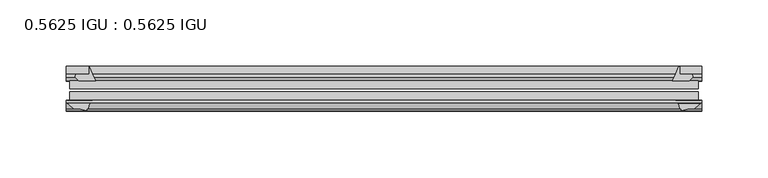
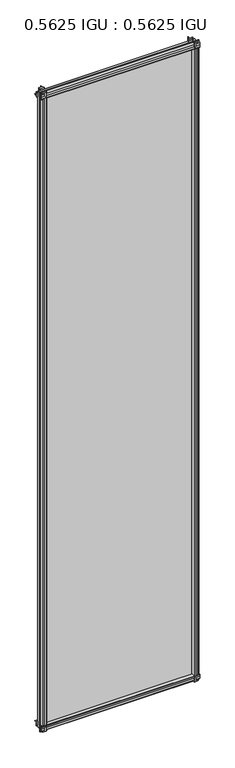
"""IFC4 building model written with IfcOpenShell, lengths in millimetres: plate geometry, 0.5625 IGU : 0.5625 IGU."""

import ifcopenshell
import ifcopenshell.guid

model = None  # the IFC model being written
_history = None  # IfcOwnerHistory: only IFC2X3 demands one
_inside = {}  # id of a spatial element -> (the spatial element, [elements in it])
_under = {}  # id of a project, library or spatial element -> (it, [spatial elements below it])
_declared = {}  # id of a project -> (the project, [libraries it declares])
_typed = {}  # id of a type object -> (the type object, [elements of that type])
_made_of = {}  # id of a material, layer set ... -> (it, [elements and type objects made of it])


def new_model(schema):
    """Start an empty IFC model of exactly this schema.

    Asked for "IFC4X3", IfcOpenShell would pick the latest addendum, in which some entities
    have other attributes; the version numbers below select the first issue.
    IFC2X3 requires an IfcOwnerHistory on every rooted entity: one is made here for all.
    """
    global model, _history
    if schema == "IFC4X3":
        model = ifcopenshell.file(schema_version=(4, 3, 0, 0))
    else:
        model = ifcopenshell.file(schema=schema)
    _inside.clear()
    _under.clear()
    _declared.clear()
    _typed.clear()
    _made_of.clear()
    _history = None
    if model.schema == "IFC2X3":
        org = make("IfcOrganization", Name="unknown")
        user = make(
            "IfcPersonAndOrganization",
            ThePerson=make("IfcPerson", FamilyName="unknown"),
            TheOrganization=org,
        )
        app = make(
            "IfcApplication",
            ApplicationDeveloper=org,
            Version="unknown",
            ApplicationFullName="unknown",
            ApplicationIdentifier="unknown",
        )
        _history = make(
            "IfcOwnerHistory",
            OwningUser=user,
            OwningApplication=app,
            ChangeAction="ADDED",
            CreationDate=0,
        )
    return model


def make(cls, **values):
    """One entity of the class cls with the attributes given. An attribute that is None is left unset."""
    return model.create_entity(
        cls, **{name: value for name, value in values.items() if value is not None}
    )


def rooted(cls, **values):
    """An entity with a GlobalId (a new one), such as an element, a storey or a relation."""
    return make(cls, GlobalId=ifcopenshell.guid.new(), OwnerHistory=_history, **values)


def si_unit(unit_type, name, prefix=None):
    """IfcSIUnit, for example si_unit("LENGTHUNIT", "METRE", prefix="MILLI")."""
    return make("IfcSIUnit", UnitType=unit_type, Prefix=prefix, Name=name)


def assignment(units):
    """IfcUnitAssignment: the units of a project."""
    return None if units is None else make("IfcUnitAssignment", Units=units)


def point(xyz):
    """IfcCartesianPoint."""
    return None if xyz is None else make("IfcCartesianPoint", Coordinates=xyz)


def direction(xyz):
    """IfcDirection."""
    return None if xyz is None else make("IfcDirection", DirectionRatios=xyz)


def frame(location, z_axis=None, x_axis=None):
    """IfcAxis2Placement3D, a coordinate frame: its origin and axes. An axis left out is left unset."""
    return make(
        "IfcAxis2Placement3D",
        Location=point(location),
        Axis=direction(z_axis),
        RefDirection=direction(x_axis),
    )


def frame_2d(location, x_axis=None):
    """IfcAxis2Placement2D, a coordinate frame in the plane: its origin and x axis."""
    return make(
        "IfcAxis2Placement2D", Location=point(location), RefDirection=direction(x_axis)
    )


def origin():
    """The frame at (0, 0, 0) with its axes left unset."""
    return frame((0.0, 0.0, 0.0))


def place(relative_to, where):
    """IfcLocalPlacement: puts the frame where relative to a parent placement (None: the world)."""
    return make(
        "IfcLocalPlacement", PlacementRelTo=relative_to, RelativePlacement=where
    )


def context(
    kind, dimensions, precision=None, world=None, true_north=None, identifier=None
):
    """IfcGeometricRepresentationContext, for example the 3D "Model" context."""
    return make(
        "IfcGeometricRepresentationContext",
        ContextIdentifier=identifier,
        ContextType=kind,
        CoordinateSpaceDimension=dimensions,
        Precision=precision,
        WorldCoordinateSystem=world,
        TrueNorth=true_north,
    )


def project(units=None, contexts=None):
    """IfcProject with its units and contexts."""
    return rooted(
        "IfcProject",
        Name="project",
        RepresentationContexts=contexts,
        UnitsInContext=assignment(units),
    )


def spatial(cls, under=None, at=None, **own):
    """A site, building, storey or space (cls), placed at a placement, below another one or the project."""
    s = rooted(cls, ObjectPlacement=at, **own)
    if under is not None:
        _under.setdefault(under.id(), (under, []))[1].append(s)
    return s


def polyline(points):
    """IfcPolyline through the points."""
    return make("IfcPolyline", Points=[point(p) for p in points])


def circle_curve(where, radius):
    """IfcCircle in the frame where."""
    return make("IfcCircle", Position=where, Radius=radius)


def trimmed(basis, trim1, trim2, sense, master):
    """IfcTrimmedCurve: the piece of a basis curve between two trims."""
    return make(
        "IfcTrimmedCurve",
        BasisCurve=basis,
        Trim1=trim1,
        Trim2=trim2,
        SenseAgreement=sense,
        MasterRepresentation=master,
    )


def segment(curve, same_sense, transition):
    """IfcCompositeCurveSegment."""
    return make(
        "IfcCompositeCurveSegment",
        Transition=transition,
        SameSense=same_sense,
        ParentCurve=curve,
    )


def composite_curve(segments, self_intersect=None):
    """IfcCompositeCurve: segments joined end to end."""
    return make("IfcCompositeCurve", Segments=segments, SelfIntersect=self_intersect)


def outline(outer, holes=None, kind="AREA"):
    """IfcArbitraryClosedProfileDef: a profile drawn as a closed curve; with holes, ...WithVoids."""
    if holes is None:
        return make("IfcArbitraryClosedProfileDef", ProfileType=kind, OuterCurve=outer)
    return make(
        "IfcArbitraryProfileDefWithVoids",
        ProfileType=kind,
        OuterCurve=outer,
        InnerCurves=holes,
    )


def extrude(swept, where, along, depth):
    """IfcExtrudedAreaSolid: the profile swept, set in the frame where, extruded along a direction by depth."""
    return make(
        "IfcExtrudedAreaSolid",
        SweptArea=swept,
        Position=where,
        ExtrudedDirection=direction(along),
        Depth=depth,
    )


def shape(context_of_items, identifier, shape_type, items):
    """IfcShapeRepresentation: the items that make up one representation, for example the "Body"."""
    return make(
        "IfcShapeRepresentation",
        ContextOfItems=context_of_items,
        RepresentationIdentifier=identifier,
        RepresentationType=shape_type,
        Items=items,
    )


def source(mapping_origin, context_of_items, identifier, shape_type, items):
    """IfcRepresentationMap: a shape defined once, which mapped items show again and again."""
    return make(
        "IfcRepresentationMap",
        MappingOrigin=mapping_origin,
        MappedRepresentation=shape(context_of_items, identifier, shape_type, items),
    )


def transform(
    local_origin,
    x_axis=None,
    y_axis=None,
    z_axis=None,
    scale=None,
    scale2=None,
    scale3=None,
    uniform=True,
):
    """IfcCartesianTransformationOperator3D, or its non-uniform kind. x_axis, y_axis, z_axis: its Axis1, 2, 3."""
    if uniform:
        return make(
            "IfcCartesianTransformationOperator3D",
            Axis1=direction(x_axis),
            Axis2=direction(y_axis),
            LocalOrigin=point(local_origin),
            Scale=scale,
            Axis3=direction(z_axis),
        )
    return make(
        "IfcCartesianTransformationOperator3DnonUniform",
        Axis1=direction(x_axis),
        Axis2=direction(y_axis),
        LocalOrigin=point(local_origin),
        Scale=scale,
        Axis3=direction(z_axis),
        Scale2=scale2,
        Scale3=scale3,
    )


def mapped(mapping_source, mapping_target):
    """IfcMappedItem: shows the shape of a source again, moved by a transform."""
    return make(
        "IfcMappedItem", MappingSource=mapping_source, MappingTarget=mapping_target
    )


def made_of(thing, what):
    """Note that an element or type object is made of a material, layer set ...; save() writes the relation."""
    if what is not None:
        _made_of.setdefault(what.id(), (what, []))[1].append(thing)
    return thing


def element(
    cls,
    number,
    at=None,
    inside=None,
    cuts=None,
    type_object=None,
    material=None,
    context=None,
    identifier="Body",
    shape_type=None,
    held_by="IfcProductDefinitionShape",
    body=None,
    shapes=None,
    **own,
):
    """One element of the class cls, such as IfcWall. Its Tag is "e" and its number.

    at: its placement. inside: the storey or other place that contains it. cuts: it is an
    opening in that element (IfcRelVoidsElement). A single representation is given by context,
    identifier, shape_type and body (its items); several are given by shapes. held_by: the class
    of the entity that holds the representations. save() writes the other relations.
    """
    e = rooted(cls, Tag="e%d" % number, ObjectPlacement=at, **own)
    if body is not None:
        shapes = [shape(context, identifier, shape_type, body)]
    if shapes is not None:
        e.Representation = make(held_by, Representations=shapes)
    if inside is not None:
        _inside.setdefault(inside.id(), (inside, []))[1].append(e)
    if cuts is not None:
        rooted(
            "IfcRelVoidsElement", RelatingBuildingElement=cuts, RelatedOpeningElement=e
        )
    if type_object is not None:
        _typed.setdefault(type_object.id(), (type_object, []))[1].append(e)
    return made_of(e, material)


def aggregate(whole, parts):
    """IfcRelAggregates: a whole, such as a stair, and the parts it consists of."""
    return rooted("IfcRelAggregates", RelatingObject=whole, RelatedObjects=parts)


def save(model, path):
    """Write the relations noted so far, then the file.

    IfcRelAggregates (storeys below a building ...), IfcRelContainedInSpatialStructure (elements
    in a storey), IfcRelDefinesByType, IfcRelAssociatesMaterial and IfcRelDeclares: one each for
    every whole, place, type object, material and project.
    """
    for whole, parts in _under.values():
        aggregate(whole, parts)
    for where, things in _inside.values():
        rooted(
            "IfcRelContainedInSpatialStructure",
            RelatedElements=things,
            RelatingStructure=where,
        )
    for kind, things in _typed.values():
        rooted("IfcRelDefinesByType", RelatedObjects=things, RelatingType=kind)
    for what, things in _made_of.values():
        rooted("IfcRelAssociatesMaterial", RelatedObjects=things, RelatingMaterial=what)
    for by, libraries in _declared.values():
        rooted("IfcRelDeclares", RelatingContext=by, RelatedDefinitions=libraries)
    model.write(path)


def plate_0_5625_igu_0_5625_igu_b8db632c(model_context):
    return source(origin(), model_context, "Body", "SweptSolid", [
        extrude(outline(composite_curve([segment(trimmed(circle_curve(frame_2d((-37.8345654, 15.3636795)), 15.5602222), [point((-35.093275, 0.0468313))], [point((-27.955875, 3.3415337))], True, "CARTESIAN"), True, "CONTINUOUS"), segment(polyline([(-27.955875, 3.3415337), (-27.955875, -17.9974199)]), True, "CONTINUOUS"), segment(trimmed(circle_curve(frame_2d((-28.971875, -17.9974199)), 1.016), [point((-27.955875, -17.9974199))], [point((-29.7387172, -18.6639099))], False, "CARTESIAN"), True, "CONTINUOUS"), segment(polyline([(-29.7387172, -18.6639099), (-34.305875, -13.4090837), (-34.305875, -7.4052024), (-35.880675, -1.5279687), (-34.305875, -1.5279687), (-34.305875, -0.7405687)]), True, "CONTINUOUS"), segment(trimmed(circle_curve(frame_2d((-35.093275, -0.7405687)), 0.7874), [point((-34.305875, -0.7405687))], [point((-35.093275, 0.0468313))], True, "CARTESIAN"), True, "CONTINUOUS")], self_intersect=False)), frame((-239.9672346, 0.0, 0.0), z_axis=(1.0, 0.0, 0.0), x_axis=(0.0, 1.0, 0.0)), (0.0, 0.0, 1.0), 479.9344692),
        extrude(outline(composite_curve([segment(trimmed(circle_curve(frame_2d((11.4445684, 45.0767023)), 47.0962123), [point((-13.096875, 4.8800511))], [point((-2.198896, 0.0))], True, "CARTESIAN"), True, "CONTINUOUS"), segment(polyline([(-2.198896, 0.0), (-8.321675, 0.0), (-8.321675, -9.0936065)]), True, "CONTINUOUS"), segment(trimmed(circle_curve(frame_2d((-9.9050751, -9.085239)), 1.5834222), [point((-8.321675, -9.0936065))], [point((-11.0877177, -10.1381313))], False, "CARTESIAN"), True, "CONTINUOUS"), segment(polyline([(-11.0877177, -10.1381313), (-13.096875, -7.8711888), (-13.096875, 4.8800511)]), True, "CONTINUOUS")], self_intersect=False)), frame((-239.9672346, 0.0, 0.0), z_axis=(1.0, 0.0, 0.0), x_axis=(0.0, 1.0, 0.0)), (0.0, 0.0, 1.0), 479.9344692),
        extrude(outline(composite_curve([segment(polyline([(-34.305875, 2013.6590837), (-29.7387172, 2018.9139099)]), True, "CONTINUOUS"), segment(trimmed(circle_curve(frame_2d((-28.971875, 2018.2474199)), 1.016), [point((-29.7387172, 2018.9139099))], [point((-27.955875, 2018.2474199))], False, "CARTESIAN"), True, "CONTINUOUS"), segment(polyline([(-27.955875, 2018.2474199), (-27.955875, 1996.9084663)]), True, "CONTINUOUS"), segment(trimmed(circle_curve(frame_2d((-37.8345654, 1984.8863205)), 15.5602222), [point((-27.955875, 1996.9084663))], [point((-35.093275, 2000.2031687))], True, "CARTESIAN"), True, "CONTINUOUS"), segment(trimmed(circle_curve(frame_2d((-35.093275, 2000.9905687)), 0.7874), [point((-35.093275, 2000.2031687))], [point((-34.305875, 2000.9905687))], True, "CARTESIAN"), True, "CONTINUOUS"), segment(polyline([(-34.305875, 2000.9905687), (-34.305875, 2001.7779687), (-35.880675, 2001.7779687), (-34.305875, 2007.6552024), (-34.305875, 2013.6590837)]), True, "CONTINUOUS")], self_intersect=False)), frame((-239.9672346, 0.0, 0.0), z_axis=(1.0, 0.0, 0.0), x_axis=(0.0, 1.0, 0.0)), (0.0, 0.0, 1.0), 479.9344692),
        extrude(outline(composite_curve([segment(trimmed(circle_curve(frame_2d((-9.9050751, 2009.335239)), 1.5834222), [point((-11.0877177, 2010.3881313))], [point((-8.321675, 2009.3436065))], False, "CARTESIAN"), True, "CONTINUOUS"), segment(polyline([(-8.321675, 2009.3436065), (-8.321675, 2000.25), (-2.198896, 2000.25)]), True, "CONTINUOUS"), segment(trimmed(circle_curve(frame_2d((11.4445684, 1955.1732977)), 47.0962123), [point((-2.198896, 2000.25))], [point((-13.096875, 1995.3699489))], True, "CARTESIAN"), True, "CONTINUOUS"), segment(polyline([(-13.096875, 1995.3699489), (-13.096875, 2008.1211888), (-11.0877177, 2010.3881313)]), True, "CONTINUOUS")], self_intersect=False)), frame((-239.9672346, 0.0, 0.0), z_axis=(1.0, 0.0, 0.0), x_axis=(0.0, 1.0, 0.0)), (0.0, 0.0, 1.0), 479.9344692),
        extrude(outline(composite_curve([segment(polyline([(223.3381144, -8.321675), (231.6073961, -8.321675)]), True, "CONTINUOUS"), segment(trimmed(circle_curve(frame_2d((231.5990286, -9.9050751)), 1.5834222), [point((231.6073961, -8.321675))], [point((232.6519209, -11.0877177))], False, "CARTESIAN"), True, "CONTINUOUS"), segment(polyline([(232.6519209, -11.0877177), (230.3849784, -13.096875), (217.6337385, -13.096875)]), True, "CONTINUOUS"), segment(trimmed(circle_curve(frame_2d((177.4370873, 11.4445684)), 47.0962123), [point((217.6337385, -13.096875))], [point((222.4669583, -2.352675))], True, "CARTESIAN"), True, "CONTINUOUS"), segment(polyline([(222.4669583, -2.352675), (223.3381144, -2.5510821), (223.3381144, -8.321675)]), True, "CONTINUOUS")], self_intersect=False)), frame((0.0, 0.0, -19.0134199), z_axis=(0.0, 0.0, 1.0), x_axis=(1.0, 0.0, 0.0)), (0.0, 0.0, 1.0), 2037.9273298),
        extrude(outline(composite_curve([segment(trimmed(circle_curve(frame_2d((238.9512346, -28.971875)), 1.016), [point((238.9512346, -27.955875))], [point((239.6177246, -29.7387172))], False, "CARTESIAN"), True, "CONTINUOUS"), segment(polyline([(239.6177246, -29.7387172), (234.3628984, -34.305875), (230.3507919, -34.305875), (224.4735583, -35.880675), (224.4735583, -34.305875), (223.3832027, -34.305875)]), True, "CONTINUOUS"), segment(trimmed(circle_curve(frame_2d((211.7472501, -36.1215237)), 11.7767556), [point((223.3832027, -34.305875))], [point((220.2333655, -27.955875))], True, "CARTESIAN"), True, "CONTINUOUS"), segment(polyline([(220.2333655, -27.955875), (238.9512346, -27.955875)]), True, "CONTINUOUS")], self_intersect=False)), frame((0.0, 0.0, -19.0134199), z_axis=(0.0, 0.0, 1.0), x_axis=(1.0, 0.0, 0.0)), (0.0, 0.0, 1.0), 2037.9273298),
        extrude(outline(composite_curve([segment(trimmed(circle_curve(frame_2d((-177.4370873, 11.4445684)), 47.0962123), [point((-222.4172465, -2.5138875))], [point((-217.6337385, -13.096875))], True, "CARTESIAN"), True, "CONTINUOUS"), segment(polyline([(-217.6337385, -13.096875), (-230.3849784, -13.096875), (-232.6519209, -11.0877177)]), True, "CONTINUOUS"), segment(trimmed(circle_curve(frame_2d((-231.5990286, -9.9050751)), 1.5834222), [point((-232.6519209, -11.0877177))], [point((-231.6073961, -8.321675))], False, "CARTESIAN"), True, "CONTINUOUS"), segment(polyline([(-231.6073961, -8.321675), (-222.4172465, -8.321675), (-222.4172465, -2.5138875)]), True, "CONTINUOUS")], self_intersect=False)), frame((0.0, 0.0, -19.0134199), z_axis=(0.0, 0.0, 1.0), x_axis=(1.0, 0.0, 0.0)), (0.0, 0.0, 1.0), 2038.2768398),
        extrude(outline(composite_curve([segment(trimmed(circle_curve(frame_2d((-211.7472501, -36.1215237)), 11.7767556), [point((-220.2333655, -27.955875))], [point((-223.3832027, -34.305875))], True, "CARTESIAN"), True, "CONTINUOUS"), segment(polyline([(-223.3832027, -34.305875), (-224.4735583, -34.305875), (-224.4735583, -35.880675), (-230.3507919, -34.305875), (-234.3628984, -34.305875), (-239.6177246, -29.7387172)]), True, "CONTINUOUS"), segment(trimmed(circle_curve(frame_2d((-238.9512346, -28.971875)), 1.016), [point((-239.6177246, -29.7387172))], [point((-238.9512346, -27.955875))], False, "CARTESIAN"), True, "CONTINUOUS"), segment(polyline([(-238.9512346, -27.955875), (-220.2333655, -27.955875)]), True, "CONTINUOUS")], self_intersect=False)), frame((0.0, 0.0, -19.0134199), z_axis=(0.0, 0.0, 1.0), x_axis=(1.0, 0.0, 0.0)), (0.0, 0.0, 1.0), 2038.2768398),
        extrude(outline(polyline([(-237.1862583, -13.096875), (237.1862583, -13.096875), (237.1862583, -19.396075), (-237.1862583, -19.396075), (-237.1862583, -13.096875)])), frame((0.0, 0.0, -13.5929687), z_axis=(0.0, 0.0, 1.0), x_axis=(1.0, 0.0, 0.0)), (0.0, 0.0, 1.0), 2027.4359375),
        extrude(outline(polyline([(237.1862583, -21.656675), (237.1862583, -27.955875), (-237.1862583, -27.955875), (-237.1862583, -21.656675), (237.1862583, -21.656675)])), frame((0.0, 0.0, -13.5929687), z_axis=(0.0, 0.0, 1.0), x_axis=(1.0, 0.0, 0.0)), (0.0, 0.0, 1.0), 2027.4359375),
    ])


if __name__ == "__main__":
    model = new_model("IFC4")
    model_context = context("Model", 3, world=origin())
    ifc_project = project(units=[si_unit("LENGTHUNIT", "METRE", prefix="MILLI")], contexts=[model_context])
    site = spatial("IfcSite", under=ifc_project)
    building = spatial("IfcBuilding", under=site)
    placement = place(None, origin())
    plate_0_5625_igu_0_5625_igu_shape = plate_0_5625_igu_0_5625_igu_b8db632c(model_context)
    element("IfcPlate", 1, ObjectType="0.5625 IGU : 0.5625 IGU", at=placement, inside=building, context=model_context, shape_type="MappedRepresentation", body=[
        mapped(plate_0_5625_igu_0_5625_igu_shape, transform((0.0, 0.0, 0.0), x_axis=(1.0, 0.0, 0.0), y_axis=(0.0, 1.0, 0.0), z_axis=(0.0, 0.0, 1.0))),
    ])
    save(model, "model.ifc")
